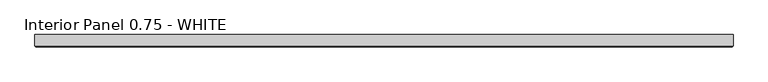
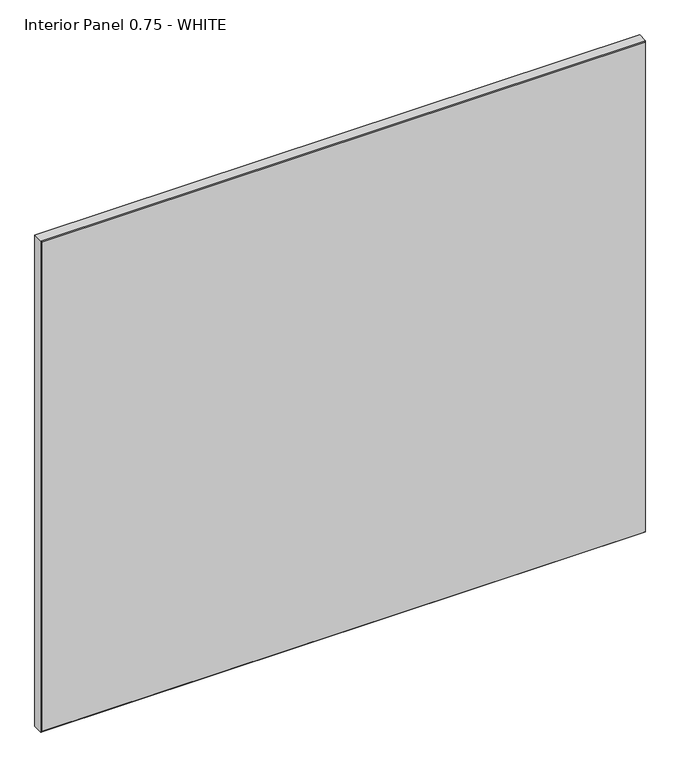
"""IFC4 building model written with IfcOpenShell, lengths in millimetres: proxy geometry, Interior Panel 0.75 - WHITE."""

from ifc_helpers import new_model, si_unit, origin, place, context, project, spatial, faceted_brep, source, transform, mapped, element, save


def interior_panel_0_75_white_5a86e7a4(model_context):
    return source(origin(), model_context, "Body", "Brep", [
        faceted_brep([(992.1875, 3.175, 914.4), (-73.025, 3.175, 914.4), (-73.025, -14.2875, 914.4), (992.1875, -14.2875, 914.4), (992.1875, 3.175, 0.0), (992.1875, -14.2875, 0.0), (-73.025, -14.2875, 0.0), (-73.025, 3.175, 0.0), (-71.4375, -15.875, 912.8125), (-71.4375, -15.875, 1.5875), (990.6, -15.875, 1.5875), (990.6, -15.875, 912.8125)], [[[0, 1, 2, 3]], [[4, 5, 6, 7]], [[1, 0, 4, 7]], [[2, 1, 7, 6]], [[8, 9, 10, 11]], [[0, 3, 5, 4]], [[2, 6, 9, 8]], [[5, 3, 11, 10]], [[3, 2, 8, 11]], [[6, 5, 10, 9]]]),
    ])


if __name__ == "__main__":
    model = new_model("IFC4")
    model_context = context("Model", 3, world=origin())
    ifc_project = project(units=[si_unit("LENGTHUNIT", "METRE", prefix="MILLI")], contexts=[model_context])
    site = spatial("IfcSite", under=ifc_project)
    building = spatial("IfcBuilding", under=site)
    placement = place(None, origin())
    interior_panel_0_75_white_shape = interior_panel_0_75_white_5a86e7a4(model_context)
    element("IfcBuildingElementProxy", 1, Name="Interior Panel 0.75 - WHITE", ObjectType="Interior Panel 0.75 - WHITE", at=placement, inside=building, context=model_context, shape_type="MappedRepresentation", body=[
        mapped(interior_panel_0_75_white_shape, transform((0.0, 0.0, 0.0), x_axis=(1.0, 0.0, 0.0), y_axis=(0.0, 1.0, 0.0), z_axis=(0.0, 0.0, 1.0))),
    ])
    save(model, "model.ifc")
